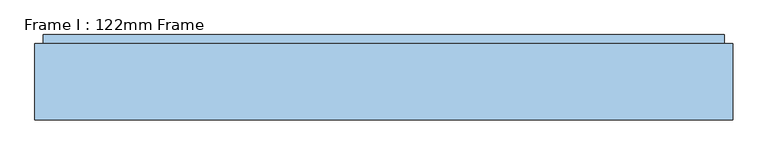
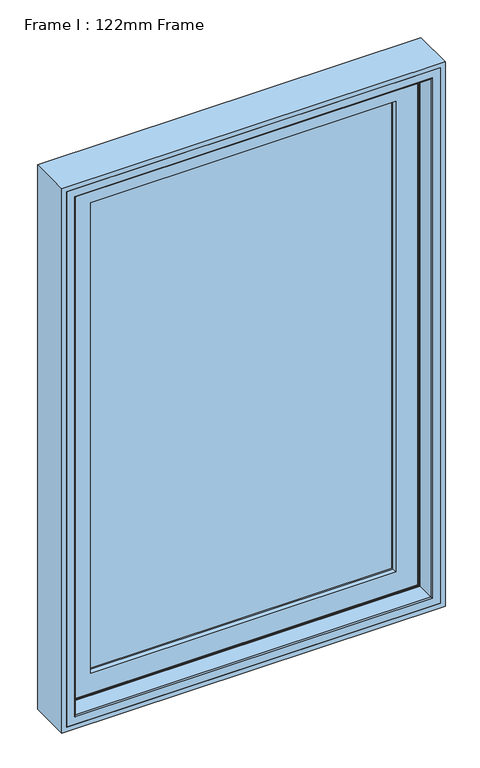
"""IFC4 building model written with IfcOpenShell, lengths in millimetres: window geometry, Frame I : 122mm Frame."""

from ifc_helpers import new_model, si_unit, frame, origin, place, context, project, spatial, polyline, ellipse_curve, outline, extrude, source, transform, mapped, element, save
from ifc_brep_helpers import plane_surface, cylinder_surface, revolved_surface, advanced_brep


def frame_i_122mm_frame_b20b5407(model_context):
    return source(origin(), model_context, "Body", "SolidModel", [
        extrude(outline(polyline([(2300.0, -500.0), (800.0, -500.0), (800.0, 500.0), (2300.0, 500.0), (2300.0, -500.0)]), holes=[polyline([(2288.0, 488.0), (812.0, 488.0), (812.0, -488.0), (2288.0, -488.0), (2288.0, 488.0)])]), frame((0.0, 32.0, 0.0), z_axis=(0.0, 1.0, 0.0), x_axis=(0.0, 0.0, 1.0)), (0.0, 0.0, 1.0), 109.0),
        extrude(outline(polyline([(-410.0, 141.0), (410.0, 141.0), (410.0, 93.0), (-410.0, 93.0), (-410.0, 141.0)])), frame((0.0, 0.0, 890.0), z_axis=(0.0, 0.0, 1.0), x_axis=(1.0, 0.0, 0.0)), (0.0, 0.0, 1.0), 1320.0),
        advanced_brep(
        [(-432.3998467, 148.4070391, 2232.3998467), (-432.3998467, 153.0, 2232.3998467), (-432.3998467, 153.0, 867.6001533), (-432.3998467, 148.4070391, 867.6001533), (432.3998467, 153.0, 2232.3998467), (432.3998467, 153.0, 867.6001533), (-412.9631076, 153.0, 887.0368924), (412.9631076, 153.0, 887.0368924), (412.9631076, 153.0, 2212.9631076), (-412.9631076, 153.0, 2212.9631076), (432.3998467, 148.4070391, 867.6001533), (-437.6739389, 139.5531262, 2237.6739389), (-437.6739389, 139.5531262, 862.3260611), (437.6739389, 139.5531262, 862.3260611), (-439.5133955, 139.5531262, 2239.5133955), (439.5133955, 139.5531262, 2239.5133955), (439.5133955, 139.5531262, 860.4866045), (-439.5133955, 139.5531262, 860.4866045), (437.6739389, 139.5531262, 2237.6739389), (-439.5133955, 121.0, 2239.5133955), (-439.5133955, 121.0, 860.4866045), (439.5133955, 121.0, 860.4866045), (-449.5133955, 121.0, 2249.5133955), (449.5133955, 121.0, 2249.5133955), (449.5133955, 121.0, 850.4866045), (-449.5133955, 121.0, 850.4866045), (439.5133955, 121.0, 2239.5133955), (-449.5133955, 88.5, 2249.5133955), (-449.5133955, 88.5, 850.4866045), (449.5133955, 88.5, 850.4866045), (-460.2977, 88.5, 2260.2976999), (460.2977, 88.5, 2260.2976999), (460.2977, 88.5, 839.7023), (-460.2977, 88.5, 839.7023), (449.5133955, 88.5, 2249.5133955), (-460.2977, 83.5, 2260.2976999), (-460.2977, 83.5, 839.7023), (460.2977, 83.5, 839.7023), (460.2977, 83.5, 2260.2976999), (-453.5, 83.5, 2253.5), (453.5, 83.5, 2253.5), (453.5, 83.5, 846.5), (-453.5, 83.5, 846.5), (-453.5, 78.0, 2253.5), (-453.5, 78.0, 846.5), (453.5, 78.0, 846.5), (453.5, 78.0, 2253.5), (-398.3157816, 78.0, 2198.3157816), (398.3157816, 78.0, 2198.3157816), (398.3157816, 78.0, 901.6842184), (-398.3157816, 78.0, 901.6842184), (-396.0003067, 88.8934531, 2196.0003067), (-396.0003067, 88.8934531, 903.9996933), (396.0003067, 88.8934531, 903.9996933), (-396.0003067, 93.0, 2196.0003067), (-396.0003067, 93.0, 903.9996933), (396.0003067, 93.0, 903.9996933), (-410.0, 93.0, 2210.0), (410.0, 93.0, 2210.0), (410.0, 93.0, 890.0), (-410.0, 93.0, 890.0), (396.0003067, 93.0, 2196.0003067), (-410.0, 141.0, 2210.0), (-410.0, 141.0, 890.0), (410.0, 141.0, 890.0), (410.0, 141.0, 2210.0), (-395.5878486, 141.0, 2195.5878486), (395.5878486, 141.0, 2195.5878486), (395.5878486, 141.0, 904.4121514), (-395.5878486, 141.0, 904.4121514), (-399.2566168, 153.0, 2199.2566168), (-399.2566168, 153.0, 900.7433832), (399.2566168, 153.0, 900.7433832), (-406.0349044, 153.0, 2206.0349044), (406.0349044, 153.0, 2206.0349044), (406.0349044, 153.0, 893.9650956), (-406.0349044, 153.0, 893.9650956), (399.2566168, 153.0, 2199.2566168), (-407.3339425, 152.25, 2207.3339425), (-407.3339425, 152.25, 892.6660575), (407.3339425, 152.25, 892.6660575), (-411.6640695, 152.25, 2211.6640695), (-411.6640695, 152.25, 888.3359305), (411.6640695, 152.25, 888.3359305), (432.3998467, 148.4070391, 2232.3998467), (396.0003067, 88.8934531, 2196.0003067), (407.3339425, 152.25, 2207.3339425), (411.6640695, 152.25, 2211.6640695)],
        [
            (0, 1),
            (1, 2),
            (2, 3),
            (3, 0),
            (1, 4),
            (4, 5),
            (5, 2),
            (6, 7),
            (7, 8),
            (8, 9),
            (9, 6),
            (5, 10),
            (10, 3),
            (11, 0),
            (3, 12),
            (12, 11),
            (10, 13),
            (13, 12),
            (14, 15),
            (15, 16),
            (16, 17),
            (17, 14),
            (13, 18),
            (18, 11),
            (19, 14),
            (17, 20),
            (20, 19),
            (16, 21),
            (21, 20),
            (22, 23),
            (23, 24),
            (24, 25),
            (25, 22),
            (21, 26),
            (26, 19),
            (27, 22),
            (25, 28),
            (28, 27),
            (24, 29),
            (29, 28),
            (30, 31),
            (31, 32),
            (32, 33),
            (33, 30),
            (29, 34),
            (34, 27),
            (35, 30),
            (33, 36),
            (36, 35),
            (32, 37),
            (37, 36),
            (37, 38),
            (38, 35),
            (39, 40),
            (40, 41),
            (41, 42),
            (42, 39),
            (43, 39),
            (42, 44),
            (44, 43),
            (41, 45),
            (45, 44),
            (45, 46),
            (46, 43),
            (47, 48),
            (48, 49),
            (49, 50),
            (50, 47),
            (51, 47),
            (50, 52),
            (52, 51),
            (49, 53),
            (53, 52),
            (54, 51),
            (52, 55),
            (55, 54),
            (53, 56),
            (56, 55),
            (57, 58),
            (58, 59),
            (59, 60),
            (60, 57),
            (56, 61),
            (61, 54),
            (62, 57),
            (60, 63),
            (63, 62),
            (59, 64),
            (64, 63),
            (64, 65),
            (65, 62),
            (66, 67),
            (67, 68),
            (68, 69),
            (69, 66),
            (70, 66),
            (69, 71),
            (71, 70),
            (68, 72),
            (72, 71),
            (73, 74),
            (74, 75),
            (75, 76),
            (76, 73),
            (72, 77),
            (77, 70),
            (78, 73, ellipse_curve(frame((-406.0349044, 151.5, 2206.0349044), z_axis=(-0.7071067811865475, 0.0, -0.7071067811865475), x_axis=(-0.7071067811865474, 0.0, 0.7071067811865476)), 2.1213203, 1.5)),
            (76, 79, ellipse_curve(frame((-406.0349044, 151.5, 893.9650956), z_axis=(-0.7071067811865475, 0.0, 0.7071067811865475), x_axis=(0.7071067811865474, 0.0, 0.7071067811865476)), 2.1213203, 1.5)),
            (79, 78),
            (75, 80, ellipse_curve(frame((406.0349044, 151.5, 893.9650956), z_axis=(-0.7071067811865475, 0.0, -0.7071067811865475), x_axis=(-0.7071067811865476, 0.0, 0.7071067811865474)), 2.1213203, 1.5)),
            (80, 79),
            (81, 78, ellipse_curve(frame((-409.499006, 153.5, 2209.499006), z_axis=(0.7071067811865475, 0.0, 0.7071067811865475), x_axis=(0.7071067811865474, 0.0, -0.7071067811865476)), 3.5355339, 2.5)),
            (79, 82, ellipse_curve(frame((-409.499006, 153.5, 890.500994), z_axis=(0.7071067811865475, 0.0, -0.7071067811865475), x_axis=(-0.7071067811865474, 0.0, -0.7071067811865476)), 3.5355339, 2.5)),
            (82, 81),
            (80, 83, ellipse_curve(frame((409.499006, 153.5, 890.500994), z_axis=(0.7071067811865475, 0.0, 0.7071067811865475), x_axis=(0.7071067811865476, 0.0, -0.7071067811865474)), 3.5355339, 2.5)),
            (83, 82),
            (9, 81, ellipse_curve(frame((-412.9631076, 151.5, 2212.9631076), z_axis=(-0.7071067811865475, 0.0, -0.7071067811865475), x_axis=(-0.7071067811865474, 0.0, 0.7071067811865476)), 2.1213203, 1.5)),
            (82, 6, ellipse_curve(frame((-412.9631076, 151.5, 887.0368924), z_axis=(-0.7071067811865475, 0.0, 0.7071067811865475), x_axis=(0.7071067811865474, 0.0, 0.7071067811865476)), 2.1213203, 1.5)),
            (83, 7, ellipse_curve(frame((412.9631076, 151.5, 887.0368924), z_axis=(-0.7071067811865475, 0.0, -0.7071067811865475), x_axis=(-0.7071067811865476, 0.0, 0.7071067811865474)), 2.1213203, 1.5)),
            (4, 84),
            (84, 10),
            (84, 18),
            (15, 26),
            (23, 34),
            (31, 38),
            (40, 46),
            (48, 85),
            (85, 53),
            (85, 61),
            (58, 65),
            (67, 77),
            (74, 86, ellipse_curve(frame((406.0349044, 151.5, 2206.0349044), z_axis=(0.7071067811865475, 0.0, -0.7071067811865475), x_axis=(-0.7071067811865474, 0.0, -0.7071067811865476)), 2.1213203, 1.5)),
            (86, 80),
            (86, 87, ellipse_curve(frame((409.499006, 153.5, 2209.499006), z_axis=(-0.7071067811865475, 0.0, 0.7071067811865475), x_axis=(0.7071067811865474, 0.0, 0.7071067811865476)), 3.5355339, 2.5)),
            (87, 83),
            (87, 8, ellipse_curve(frame((412.9631076, 151.5, 2212.9631076), z_axis=(0.7071067811865475, 0.0, -0.7071067811865475), x_axis=(-0.7071067811865474, 0.0, -0.7071067811865476)), 2.1213203, 1.5)),
            (0, 84),
            (51, 85),
            (78, 86),
            (81, 87),
        ],
        [
            plane_surface(frame((-432.3998467, 153.0, 2232.3998467), z_axis=(-1.0, 0.0, 0.0), x_axis=(0.0, 0.0, -1.0))),
            plane_surface(frame((412.9631076, 153.0, 2212.9631076), z_axis=(0.0, 1.0, 0.0), x_axis=(-1.0, 0.0, 0.0))),
            plane_surface(frame((-432.3998467, 153.0, 867.6001533), z_axis=(0.0, 0.0, -1.0), x_axis=(1.0, 0.0, 0.0))),
            plane_surface(frame((-432.3998467, 148.4070391, 2232.3998467), z_axis=(-0.8591262587254928, 0.5117636872310675, 0.0), x_axis=(0.0, 0.0, -1.0))),
            plane_surface(frame((-432.3998467, 148.4070391, 867.6001533), z_axis=(0.0, 0.5117636872310675, -0.8591262587254928), x_axis=(1.0, 0.0, 0.0))),
            plane_surface(frame((437.6739389, 139.5531262, 2237.6739389), z_axis=(0.0, 1.0, 0.0), x_axis=(-1.0, 0.0, 0.0))),
            plane_surface(frame((-439.5133955, 139.5531262, 2239.5133955), z_axis=(-1.0, 0.0, 0.0), x_axis=(0.0, 0.0, -1.0))),
            plane_surface(frame((-439.5133955, 139.5531262, 860.4866045), z_axis=(0.0, 0.0, -1.0), x_axis=(1.0, 0.0, 0.0))),
            plane_surface(frame((439.5133955, 121.0, 2239.5133955), z_axis=(0.0, 1.0, 0.0), x_axis=(-1.0, 0.0, 0.0))),
            plane_surface(frame((-449.5133955, 121.0, 2249.5133955), z_axis=(-1.0, 0.0, 0.0), x_axis=(0.0, 0.0, -1.0))),
            plane_surface(frame((-449.5133955, 121.0, 850.4866045), z_axis=(0.0, 0.0, -1.0), x_axis=(1.0, 0.0, 0.0))),
            plane_surface(frame((449.5133955, 88.5, 2249.5133955), z_axis=(0.0, 1.0, 0.0), x_axis=(-1.0, 0.0, 0.0))),
            plane_surface(frame((-460.2977, 88.5, 2260.2976999), z_axis=(-1.0, 0.0, 0.0), x_axis=(0.0, 0.0, -1.0))),
            plane_surface(frame((-460.2977, 88.5, 839.7023), z_axis=(0.0, 0.0, -1.0), x_axis=(1.0, 0.0, 0.0))),
            plane_surface(frame((460.2977, 83.5, 2260.2976999), z_axis=(0.0, -1.0, 0.0), x_axis=(-1.0, 0.0, 0.0))),
            plane_surface(frame((-453.5, 83.5, 2253.5), z_axis=(-1.0, 0.0, 0.0), x_axis=(0.0, 0.0, -1.0))),
            plane_surface(frame((-453.5, 83.5, 846.5), z_axis=(0.0, 0.0, -1.0), x_axis=(1.0, 0.0, 0.0))),
            plane_surface(frame((453.5, 78.0, 2253.5), z_axis=(0.0, -1.0, 0.0), x_axis=(-1.0, 0.0, 0.0))),
            plane_surface(frame((-398.3157816, 78.0, 2198.3157816), z_axis=(0.9781476007338071, -0.2079116908177525, 0.0), x_axis=(0.0, 0.0, -1.0))),
            plane_surface(frame((-398.3157816, 78.0, 901.6842184), z_axis=(0.0, -0.2079116908177525, 0.9781476007338071), x_axis=(1.0, 0.0, 0.0))),
            plane_surface(frame((-396.0003067, 88.8934531, 2196.0003067), z_axis=(1.0, 0.0, 0.0), x_axis=(0.0, 0.0, -1.0))),
            plane_surface(frame((-396.0003067, 88.8934531, 903.9996933), z_axis=(0.0, 0.0, 1.0), x_axis=(1.0, 0.0, 0.0))),
            plane_surface(frame((396.0003067, 93.0, 2196.0003067), z_axis=(0.0, 1.0, 0.0), x_axis=(-1.0, 0.0, 0.0))),
            plane_surface(frame((-410.0, 93.0, 2210.0), z_axis=(1.0, 0.0, 0.0), x_axis=(0.0, 0.0, -1.0))),
            plane_surface(frame((-410.0, 93.0, 890.0), z_axis=(0.0, 0.0, 1.0), x_axis=(1.0, 0.0, 0.0))),
            plane_surface(frame((410.0, 141.0, 2210.0), z_axis=(0.0, -1.0, 0.0), x_axis=(-1.0, 0.0, 0.0))),
            plane_surface(frame((-395.5878486, 141.0, 2195.5878486), z_axis=(0.9563047559629783, 0.29237170472292384, 0.0), x_axis=(0.0, 0.0, -1.0))),
            plane_surface(frame((-395.5878486, 141.0, 904.4121514), z_axis=(0.0, 0.29237170472292384, 0.9563047559629783), x_axis=(1.0, 0.0, 0.0))),
            plane_surface(frame((399.2566168, 153.0, 2199.2566168), z_axis=(0.0, 1.0, 0.0), x_axis=(-1.0, 0.0, 0.0))),
            cylinder_surface(frame((-406.0349044, 151.5, 2237.6), z_axis=(0.0, 0.0, 1.0), x_axis=(0.0, 1.0, 0.0)), 1.5),
            cylinder_surface(frame((-437.6, 151.5, 893.9650956), z_axis=(-1.0, 0.0, 0.0), x_axis=(0.0, 1.0, 0.0)), 1.5),
            revolved_surface(polyline([(-409.499006, 156.0, 888.000994004195), (-409.499006, 156.0, 2211.999005995805)]), (-409.499006, 153.5, 2237.6), (0.0, 0.0, -1.0)),
            revolved_surface(polyline([(411.99900599580496, 156.0, 890.500994), (-411.9990059958049, 156.0, 890.500994)]), (-437.6, 153.5, 890.500994), (1.0, 0.0, 0.0)),
            cylinder_surface(frame((-412.9631076, 151.5, 2237.6), z_axis=(0.0, 0.0, 1.0), x_axis=(0.0, 1.0, 0.0)), 1.5),
            cylinder_surface(frame((-437.6, 151.5, 887.0368924), z_axis=(-1.0, 0.0, 0.0), x_axis=(0.0, 1.0, 0.0)), 1.5),
            plane_surface(frame((432.3998467, 153.0, 867.6001533), z_axis=(1.0, 0.0, 0.0), x_axis=(0.0, 0.0, 1.0))),
            plane_surface(frame((432.3998467, 148.4070391, 867.6001533), z_axis=(0.8591262587254928, 0.5117636872310675, 0.0), x_axis=(0.0, 0.0, 1.0))),
            plane_surface(frame((439.5133955, 139.5531262, 860.4866045), z_axis=(1.0, 0.0, 0.0), x_axis=(0.0, 0.0, 1.0))),
            plane_surface(frame((449.5133955, 121.0, 850.4866045), z_axis=(1.0, 0.0, 0.0), x_axis=(0.0, 0.0, 1.0))),
            plane_surface(frame((460.2977, 88.5, 839.7023), z_axis=(1.0, 0.0, 0.0), x_axis=(0.0, 0.0, 1.0))),
            plane_surface(frame((453.5, 83.5, 846.5), z_axis=(1.0, 0.0, 0.0), x_axis=(0.0, 0.0, 1.0))),
            plane_surface(frame((398.3157816, 78.0, 901.6842184), z_axis=(-0.9781476007338071, -0.2079116908177525, 0.0), x_axis=(0.0, 0.0, 1.0))),
            plane_surface(frame((396.0003067, 88.8934531, 903.9996933), z_axis=(-1.0, 0.0, 0.0), x_axis=(0.0, 0.0, 1.0))),
            plane_surface(frame((410.0, 93.0, 890.0), z_axis=(-1.0, 0.0, 0.0), x_axis=(0.0, 0.0, 1.0))),
            plane_surface(frame((395.5878486, 141.0, 904.4121514), z_axis=(-0.9563047559629783, 0.29237170472292384, 0.0), x_axis=(0.0, 0.0, 1.0))),
            cylinder_surface(frame((406.0349044, 151.5, 862.4), z_axis=(0.0, 0.0, -1.0), x_axis=(0.0, 1.0, 0.0)), 1.5),
            revolved_surface(polyline([(409.499006, 156.0, 2211.999005995805), (409.499006, 156.0, 888.000994004195)]), (409.499006, 153.5, 862.4), (0.0, 0.0, 1.0)),
            cylinder_surface(frame((412.9631076, 151.5, 862.4), z_axis=(0.0, 0.0, -1.0), x_axis=(0.0, 1.0, 0.0)), 1.5),
            plane_surface(frame((432.3998467, 153.0, 2232.3998467), z_axis=(0.0, 0.0, 1.0), x_axis=(-1.0, 0.0, 0.0))),
            plane_surface(frame((432.3998467, 148.4070391, 2232.3998467), z_axis=(0.0, 0.5117636872310675, 0.8591262587254928), x_axis=(-1.0, 0.0, 0.0))),
            plane_surface(frame((439.5133955, 139.5531262, 2239.5133955), z_axis=(0.0, 0.0, 1.0), x_axis=(-1.0, 0.0, 0.0))),
            plane_surface(frame((449.5133955, 121.0, 2249.5133955), z_axis=(0.0, 0.0, 1.0), x_axis=(-1.0, 0.0, 0.0))),
            plane_surface(frame((460.2977, 88.5, 2260.2976999), z_axis=(0.0, 0.0, 1.0), x_axis=(-1.0, 0.0, 0.0))),
            plane_surface(frame((453.5, 83.5, 2253.5), z_axis=(0.0, 0.0, 1.0), x_axis=(-1.0, 0.0, 0.0))),
            plane_surface(frame((398.3157816, 78.0, 2198.3157816), z_axis=(0.0, -0.2079116908177525, -0.9781476007338071), x_axis=(-1.0, 0.0, 0.0))),
            plane_surface(frame((396.0003067, 88.8934531, 2196.0003067), z_axis=(0.0, 0.0, -1.0), x_axis=(-1.0, 0.0, 0.0))),
            plane_surface(frame((410.0, 93.0, 2210.0), z_axis=(0.0, 0.0, -1.0), x_axis=(-1.0, 0.0, 0.0))),
            plane_surface(frame((395.5878486, 141.0, 2195.5878486), z_axis=(0.0, 0.29237170472292384, -0.9563047559629783), x_axis=(-1.0, 0.0, 0.0))),
            cylinder_surface(frame((437.6, 151.5, 2206.0349044), z_axis=(1.0, 0.0, 0.0), x_axis=(0.0, 1.0, 0.0)), 1.5),
            revolved_surface(polyline([(-411.99900599580496, 156.0, 2209.499006), (411.9990059958049, 156.0, 2209.499006)]), (437.6, 153.5, 2209.499006), (-1.0, 0.0, 0.0)),
            cylinder_surface(frame((437.6, 151.5, 2212.9631076), z_axis=(1.0, 0.0, 0.0), x_axis=(0.0, 1.0, 0.0)), 1.5),
        ],
        [
            (0, [[1, 2, 3, 4]]),
            (1, [[5, 6, 7, -2], [8, 9, 10, 11]]),
            (2, [[-3, -7, 12, 13]]),
            (3, [[14, -4, 15, 16]]),
            (4, [[-15, -13, 17, 18]]),
            (5, [[19, 20, 21, 22], [-18, 23, 24, -16]]),
            (6, [[25, -22, 26, 27]]),
            (7, [[-26, -21, 28, 29]]),
            (8, [[30, 31, 32, 33], [-29, 34, 35, -27]]),
            (9, [[36, -33, 37, 38]]),
            (10, [[-37, -32, 39, 40]]),
            (11, [[41, 42, 43, 44], [-40, 45, 46, -38]]),
            (12, [[47, -44, 48, 49]]),
            (13, [[-48, -43, 50, 51]]),
            (14, [[-51, 52, 53, -49], [54, 55, 56, 57]]),
            (15, [[58, -57, 59, 60]]),
            (16, [[-59, -56, 61, 62]]),
            (17, [[-62, 63, 64, -60], [65, 66, 67, 68]]),
            (18, [[69, -68, 70, 71]]),
            (19, [[-70, -67, 72, 73]]),
            (20, [[74, -71, 75, 76]]),
            (21, [[-75, -73, 77, 78]]),
            (22, [[79, 80, 81, 82], [-78, 83, 84, -76]]),
            (23, [[85, -82, 86, 87]]),
            (24, [[-86, -81, 88, 89]]),
            (25, [[-89, 90, 91, -87], [92, 93, 94, 95]]),
            (26, [[96, -95, 97, 98]]),
            (27, [[-97, -94, 99, 100]]),
            (28, [[101, 102, 103, 104], [-100, 105, 106, -98]]),
            (29, [[107, -104, 108, 109]]),
            (30, [[-108, -103, 110, 111]]),
            (31, [[112, -109, 113, 114]]),
            (32, [[-113, -111, 115, 116]]),
            (33, [[117, -114, 118, -11]]),
            (34, [[-118, -116, 119, -8]]),
            (35, [[-12, -6, 120, 121]]),
            (36, [[-17, -121, 122, -23]]),
            (37, [[-28, -20, 123, -34]]),
            (38, [[-39, -31, 124, -45]]),
            (39, [[-50, -42, 125, -52]]),
            (40, [[-61, -55, 126, -63]]),
            (41, [[-72, -66, 127, 128]]),
            (42, [[-77, -128, 129, -83]]),
            (43, [[-88, -80, 130, -90]]),
            (44, [[-99, -93, 131, -105]]),
            (45, [[-110, -102, 132, 133]]),
            (46, [[-115, -133, 134, 135]]),
            (47, [[-119, -135, 136, -9]]),
            (48, [[-120, -5, -1, 137]]),
            (49, [[-122, -137, -14, -24]]),
            (50, [[-123, -19, -25, -35]]),
            (51, [[-124, -30, -36, -46]]),
            (52, [[-125, -41, -47, -53]]),
            (53, [[-126, -54, -58, -64]]),
            (54, [[-127, -65, -69, 138]]),
            (55, [[-129, -138, -74, -84]]),
            (56, [[-130, -79, -85, -91]]),
            (57, [[-131, -92, -96, -106]]),
            (58, [[-132, -101, -107, 139]]),
            (59, [[-134, -139, -112, 140]]),
            (60, [[-136, -140, -117, -10]]),
        ],
    ),
        advanced_brep(
        [(-464.0, 83.0, 2264.0), (-464.0, 35.0, 2264.0), (-464.0, 35.0, 836.0), (-464.0, 83.0, 836.0), (-467.0, 32.0, 2267.0), (-467.0, 32.0, 833.0), (464.0, 35.0, 836.0), (464.0, 83.0, 836.0), (464.0, 83.0, 2264.0), (-462.0, 83.0, 2262.0), (462.0, 83.0, 2262.0), (462.0, 83.0, 838.0), (-462.0, 83.0, 838.0), (-462.0, 111.4, 2262.0), (-462.0, 111.4, 838.0), (462.0, 111.4, 838.0), (462.0, 111.4, 2262.0), (-453.9000002, 111.4, 2253.9000002), (453.9000002, 111.4, 2253.9000002), (453.9000002, 111.4, 846.0999998), (-453.9000002, 111.4, 846.0999998), (-453.9000002, 126.0, 2253.9000002), (-453.9000002, 126.0, 846.0999998), (453.9000002, 126.0, 846.0999998), (453.9000002, 126.0, 2253.9000002), (-446.7201943, 126.0, 2246.7201943), (446.7201943, 126.0, 2246.7201943), (446.7201943, 126.0, 853.2798057), (-446.7201943, 126.0, 853.2798057), (-446.7201943, 140.2372876, 2246.7201943), (-446.7201943, 140.2372876, 853.2798057), (446.7201943, 140.2372876, 853.2798057), (446.7201943, 140.2372876, 2246.7201943), (-438.0131086, 140.2372876, 2238.0131086), (438.0131086, 140.2372876, 2238.0131086), (438.0131086, 140.2372876, 861.9868914), (-438.0131086, 140.2372876, 861.9868914), (-438.0131086, 143.3877115, 2238.0131086), (-438.0131086, 143.3877115, 861.9868914), (438.0131086, 143.3877115, 861.9868914), (-441.2576108, 154.0, 2241.2576108), (-441.2576108, 154.0, 858.7423892), (441.2576108, 154.0, 858.7423892), (-488.0, 154.0, 2288.0), (488.0, 154.0, 2288.0), (488.0, 154.0, 812.0), (-488.0, 154.0, 812.0), (441.2576108, 154.0, 2241.2576108), (-488.0, 90.5, 2288.0), (-488.0, 90.5, 812.0), (488.0, 90.5, 812.0), (488.0, 90.5, 2288.0), (-481.0, 90.5, 2281.0), (481.0, 90.5, 2281.0), (481.0, 90.5, 819.0), (-481.0, 90.5, 819.0), (467.0, 32.0, 833.0), (464.0, 35.0, 2264.0), (438.0131086, 143.3877115, 2238.0131086), (467.0, 32.0, 2267.0), (-488.0, 32.0, 812.0), (488.0, 32.0, 812.0), (488.0, 32.0, 2288.0), (-488.0, 32.0, 2288.0), (-488.0, 86.5, 812.0), (488.0, 86.5, 812.0), (488.0, 86.5, 2288.0), (-488.0, 86.5, 2288.0), (-481.0, 86.5, 2281.0), (-481.0, 86.5, 819.0), (481.0, 86.5, 819.0), (481.0, 86.5, 2281.0)],
        [
            (0, 1),
            (1, 2),
            (2, 3),
            (3, 0),
            (1, 4, ellipse_curve(frame((-467.0, 35.0, 2267.0), z_axis=(-0.7071067811865475, 0.0, -0.7071067811865475), x_axis=(-0.7071067811865474, 0.0, 0.7071067811865476)), 4.2426407, 3.0)),
            (4, 5),
            (5, 2, ellipse_curve(frame((-467.0, 35.0, 833.0), z_axis=(-0.7071067811865475, 0.0, 0.7071067811865475), x_axis=(0.7071067811865474, 0.0, 0.7071067811865476)), 4.2426407, 3.0)),
            (2, 6),
            (6, 7),
            (7, 3),
            (7, 8),
            (8, 0),
            (9, 10),
            (10, 11),
            (11, 12),
            (12, 9),
            (13, 9),
            (12, 14),
            (14, 13),
            (11, 15),
            (15, 14),
            (15, 16),
            (16, 13),
            (17, 18),
            (18, 19),
            (19, 20),
            (20, 17),
            (21, 17),
            (20, 22),
            (22, 21),
            (19, 23),
            (23, 22),
            (23, 24),
            (24, 21),
            (25, 26),
            (26, 27),
            (27, 28),
            (28, 25),
            (29, 25),
            (28, 30),
            (30, 29),
            (27, 31),
            (31, 30),
            (31, 32),
            (32, 29),
            (33, 34),
            (34, 35),
            (35, 36),
            (36, 33),
            (37, 33),
            (36, 38),
            (38, 37),
            (35, 39),
            (39, 38),
            (40, 37),
            (38, 41),
            (41, 40),
            (39, 42),
            (42, 41),
            (43, 44),
            (44, 45),
            (45, 46),
            (46, 43),
            (42, 47),
            (47, 40),
            (48, 43),
            (46, 49),
            (49, 48),
            (45, 50),
            (50, 49),
            (50, 51),
            (51, 48),
            (52, 53),
            (53, 54),
            (54, 55),
            (55, 52),
            (5, 56),
            (56, 6, ellipse_curve(frame((467.0, 35.0, 833.0), z_axis=(-0.7071067811865475, 0.0, -0.7071067811865475), x_axis=(-0.7071067811865476, 0.0, 0.7071067811865474)), 4.2426407, 3.0)),
            (6, 57),
            (57, 8),
            (10, 16),
            (18, 24),
            (26, 32),
            (34, 58),
            (58, 39),
            (58, 47),
            (44, 51),
            (56, 59),
            (59, 57, ellipse_curve(frame((467.0, 35.0, 2267.0), z_axis=(0.7071067811865475, 0.0, -0.7071067811865475), x_axis=(-0.7071067811865474, 0.0, -0.7071067811865476)), 4.2426407, 3.0)),
            (60, 61),
            (61, 62),
            (62, 63),
            (63, 60),
            (4, 59),
            (60, 64),
            (64, 65),
            (65, 61),
            (65, 66),
            (66, 62),
            (63, 67),
            (67, 64),
            (68, 52),
            (55, 69),
            (69, 68),
            (54, 70),
            (70, 69),
            (67, 66),
            (70, 71),
            (71, 68),
            (53, 71),
            (57, 1),
            (37, 58),
        ],
        [
            plane_surface(frame((-464.0, 35.0, 2264.0), z_axis=(1.0, 0.0, 0.0), x_axis=(0.0, 0.0, -1.0))),
            cylinder_surface(frame((-467.0, 35.0, 2288.0), z_axis=(0.0, 0.0, 1.0), x_axis=(0.0, 1.0, 0.0)), 3.0),
            plane_surface(frame((-464.0, 35.0, 836.0), z_axis=(0.0, 0.0, 1.0), x_axis=(1.0, 0.0, 0.0))),
            plane_surface(frame((464.0, 83.0, 2264.0), z_axis=(0.0, -1.0, 0.0), x_axis=(-1.0, 0.0, 0.0))),
            plane_surface(frame((-462.0, 83.0, 2262.0), z_axis=(1.0, 0.0, 0.0), x_axis=(0.0, 0.0, -1.0))),
            plane_surface(frame((-462.0, 83.0, 838.0), z_axis=(0.0, 0.0, 1.0), x_axis=(1.0, 0.0, 0.0))),
            plane_surface(frame((462.0, 111.4, 2262.0), z_axis=(0.0, -1.0, 0.0), x_axis=(-1.0, 0.0, 0.0))),
            plane_surface(frame((-453.9000002, 111.4, 2253.9000002), z_axis=(1.0, 0.0, 0.0), x_axis=(0.0, 0.0, -1.0))),
            plane_surface(frame((-453.9000002, 111.4, 846.0999998), z_axis=(0.0, 0.0, 1.0), x_axis=(1.0, 0.0, 0.0))),
            plane_surface(frame((453.9000002, 126.0, 2253.9000002), z_axis=(0.0, -1.0, 0.0), x_axis=(-1.0, 0.0, 0.0))),
            plane_surface(frame((-446.7201943, 126.0, 2246.7201943), z_axis=(1.0, 0.0, 0.0), x_axis=(0.0, 0.0, -1.0))),
            plane_surface(frame((-446.7201943, 126.0, 853.2798057), z_axis=(0.0, 0.0, 1.0), x_axis=(1.0, 0.0, 0.0))),
            plane_surface(frame((446.7201943, 140.2372876, 2246.7201943), z_axis=(0.0, -1.0, 0.0), x_axis=(-1.0, 0.0, 0.0))),
            plane_surface(frame((-438.0131086, 140.2372876, 2238.0131086), z_axis=(1.0, 0.0, 0.0), x_axis=(0.0, 0.0, -1.0))),
            plane_surface(frame((-438.0131086, 140.2372876, 861.9868914), z_axis=(0.0, 0.0, 1.0), x_axis=(1.0, 0.0, 0.0))),
            plane_surface(frame((-438.0131086, 143.3877115, 2238.0131086), z_axis=(0.9563047559629344, 0.29237170472306745, 0.0), x_axis=(0.0, 0.0, -1.0))),
            plane_surface(frame((-438.0131086, 143.3877115, 861.9868914), z_axis=(0.0, 0.29237170472306745, 0.9563047559629344), x_axis=(1.0, 0.0, 0.0))),
            plane_surface(frame((441.2576108, 154.0, 2241.2576108), z_axis=(0.0, 1.0, 0.0), x_axis=(-1.0, 0.0, 0.0))),
            plane_surface(frame((-488.0, 154.0, 2288.0), z_axis=(-1.0, 0.0, 0.0), x_axis=(0.0, 0.0, -1.0))),
            plane_surface(frame((-488.0, 154.0, 812.0), z_axis=(0.0, 0.0, -1.0), x_axis=(1.0, 0.0, 0.0))),
            plane_surface(frame((488.0, 90.5, 2288.0), z_axis=(0.0, -1.0, 0.0), x_axis=(-1.0, 0.0, 0.0))),
            cylinder_surface(frame((-488.0, 35.0, 833.0), z_axis=(-1.0, 0.0, 0.0), x_axis=(0.0, 1.0, 0.0)), 3.0),
            plane_surface(frame((464.0, 35.0, 836.0), z_axis=(-1.0, 0.0, 0.0), x_axis=(0.0, 0.0, 1.0))),
            plane_surface(frame((462.0, 83.0, 838.0), z_axis=(-1.0, 0.0, 0.0), x_axis=(0.0, 0.0, 1.0))),
            plane_surface(frame((453.9000002, 111.4, 846.0999998), z_axis=(-1.0, 0.0, 0.0), x_axis=(0.0, 0.0, 1.0))),
            plane_surface(frame((446.7201943, 126.0, 853.2798057), z_axis=(-1.0, 0.0, 0.0), x_axis=(0.0, 0.0, 1.0))),
            plane_surface(frame((438.0131086, 140.2372876, 861.9868914), z_axis=(-1.0, 0.0, 0.0), x_axis=(0.0, 0.0, 1.0))),
            plane_surface(frame((438.0131086, 143.3877115, 861.9868914), z_axis=(-0.9563047559629344, 0.29237170472306745, 0.0), x_axis=(0.0, 0.0, 1.0))),
            plane_surface(frame((488.0, 154.0, 812.0), z_axis=(1.0, 0.0, 0.0), x_axis=(0.0, 0.0, 1.0))),
            cylinder_surface(frame((467.0, 35.0, 812.0), z_axis=(0.0, 0.0, -1.0), x_axis=(0.0, 1.0, 0.0)), 3.0),
            plane_surface(frame((488.0, 32.0, 2288.0), z_axis=(0.0, -1.0, 0.0), x_axis=(-1.0, 0.0, 0.0))),
            plane_surface(frame((-488.0, 86.5, 812.0), z_axis=(0.0, 0.0, -1.0), x_axis=(1.0, 0.0, 0.0))),
            plane_surface(frame((488.0, 86.5, 812.0), z_axis=(1.0, 0.0, 0.0), x_axis=(0.0, 0.0, 1.0))),
            plane_surface(frame((-488.0, 86.5, 2288.0), z_axis=(-1.0, 0.0, 0.0), x_axis=(0.0, 0.0, -1.0))),
            plane_surface(frame((-481.0, 90.5, 2281.0), z_axis=(-1.0, 0.0, 0.0), x_axis=(0.0, 0.0, -1.0))),
            plane_surface(frame((-481.0, 90.5, 819.0), z_axis=(0.0, 0.0, -1.0), x_axis=(1.0, 0.0, 0.0))),
            plane_surface(frame((481.0, 86.5, 2281.0), z_axis=(0.0, 1.0, 0.0), x_axis=(-1.0, 0.0, 0.0))),
            plane_surface(frame((481.0, 90.5, 819.0), z_axis=(1.0, 0.0, 0.0), x_axis=(0.0, 0.0, 1.0))),
            plane_surface(frame((464.0, 35.0, 2264.0), z_axis=(0.0, 0.0, -1.0), x_axis=(-1.0, 0.0, 0.0))),
            plane_surface(frame((462.0, 83.0, 2262.0), z_axis=(0.0, 0.0, -1.0), x_axis=(-1.0, 0.0, 0.0))),
            plane_surface(frame((453.9000002, 111.4, 2253.9000002), z_axis=(0.0, 0.0, -1.0), x_axis=(-1.0, 0.0, 0.0))),
            plane_surface(frame((446.7201943, 126.0, 2246.7201943), z_axis=(0.0, 0.0, -1.0), x_axis=(-1.0, 0.0, 0.0))),
            plane_surface(frame((438.0131086, 140.2372876, 2238.0131086), z_axis=(0.0, 0.0, -1.0), x_axis=(-1.0, 0.0, 0.0))),
            plane_surface(frame((438.0131086, 143.3877115, 2238.0131086), z_axis=(0.0, 0.29237170472306745, -0.9563047559629344), x_axis=(-1.0, 0.0, 0.0))),
            plane_surface(frame((488.0, 154.0, 2288.0), z_axis=(0.0, 0.0, 1.0), x_axis=(-1.0, 0.0, 0.0))),
            cylinder_surface(frame((488.0, 35.0, 2267.0), z_axis=(1.0, 0.0, 0.0), x_axis=(0.0, 1.0, 0.0)), 3.0),
            plane_surface(frame((481.0, 90.5, 2281.0), z_axis=(0.0, 0.0, 1.0), x_axis=(-1.0, 0.0, 0.0))),
            plane_surface(frame((488.0, 86.5, 2288.0), z_axis=(0.0, 0.0, 1.0), x_axis=(-1.0, 0.0, 0.0))),
        ],
        [
            (0, [[1, 2, 3, 4]]),
            (1, [[5, 6, 7, -2]]),
            (2, [[-3, 8, 9, 10]]),
            (3, [[-10, 11, 12, -4], [13, 14, 15, 16]]),
            (4, [[17, -16, 18, 19]]),
            (5, [[-18, -15, 20, 21]]),
            (6, [[-21, 22, 23, -19], [24, 25, 26, 27]]),
            (7, [[28, -27, 29, 30]]),
            (8, [[-29, -26, 31, 32]]),
            (9, [[-32, 33, 34, -30], [35, 36, 37, 38]]),
            (10, [[39, -38, 40, 41]]),
            (11, [[-40, -37, 42, 43]]),
            (12, [[-43, 44, 45, -41], [46, 47, 48, 49]]),
            (13, [[50, -49, 51, 52]]),
            (14, [[-51, -48, 53, 54]]),
            (15, [[55, -52, 56, 57]]),
            (16, [[-56, -54, 58, 59]]),
            (17, [[60, 61, 62, 63], [-59, 64, 65, -57]]),
            (18, [[66, -63, 67, 68]]),
            (19, [[-67, -62, 69, 70]]),
            (20, [[-70, 71, 72, -68], [73, 74, 75, 76]]),
            (21, [[-7, 77, 78, -8]]),
            (22, [[-9, 79, 80, -11]]),
            (23, [[-20, -14, 81, -22]]),
            (24, [[-31, -25, 82, -33]]),
            (25, [[-42, -36, 83, -44]]),
            (26, [[-53, -47, 84, 85]]),
            (27, [[-58, -85, 86, -64]]),
            (28, [[-69, -61, 87, -71]]),
            (29, [[-78, 88, 89, -79]]),
            (30, [[90, 91, 92, 93], [94, -88, -77, -6]]),
            (31, [[95, 96, 97, -90]]),
            (32, [[-97, 98, 99, -91]]),
            (33, [[100, 101, -95, -93]]),
            (34, [[102, -76, 103, 104]]),
            (35, [[-103, -75, 105, 106]]),
            (36, [[107, -98, -96, -101], [-106, 108, 109, -104]]),
            (37, [[-105, -74, 110, -108]]),
            (38, [[-80, 111, -1, -12]]),
            (39, [[-81, -13, -17, -23]]),
            (40, [[-82, -24, -28, -34]]),
            (41, [[-83, -35, -39, -45]]),
            (42, [[-84, -46, -50, 112]]),
            (43, [[-86, -112, -55, -65]]),
            (44, [[-87, -60, -66, -72]]),
            (45, [[-89, -94, -5, -111]]),
            (46, [[-110, -73, -102, -109]]),
            (47, [[-99, -107, -100, -92]]),
        ],
    ),
    ])


if __name__ == "__main__":
    model = new_model("IFC4")
    model_context = context("Model", 3, world=origin())
    ifc_project = project(units=[si_unit("LENGTHUNIT", "METRE", prefix="MILLI")], contexts=[model_context])
    site = spatial("IfcSite", under=ifc_project)
    building = spatial("IfcBuilding", under=site)
    placement = place(None, origin())
    frame_i_122mm_frame_shape = frame_i_122mm_frame_b20b5407(model_context)
    element("IfcWindow", 1, ObjectType="Frame I : 122mm Frame", at=placement, inside=building, context=model_context, shape_type="MappedRepresentation", body=[
        mapped(frame_i_122mm_frame_shape, transform((0.0, 0.0, 0.0), x_axis=(1.0, 0.0, 0.0), y_axis=(0.0, 1.0, 0.0), z_axis=(0.0, 0.0, 1.0))),
    ])
    save(model, "model.ifc")
